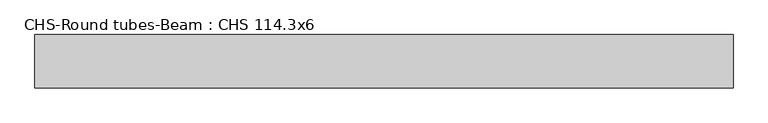
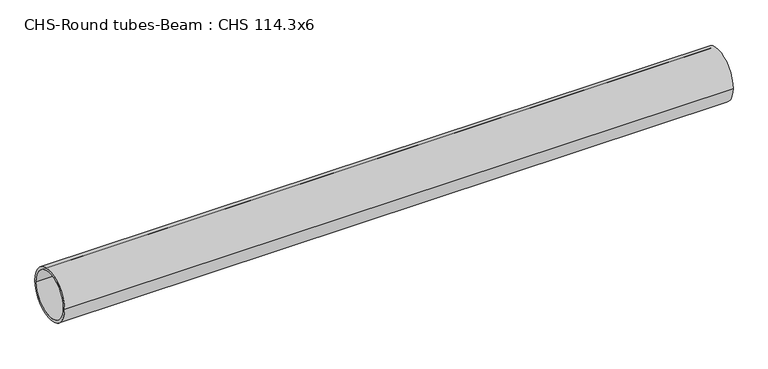
"""IFC4 building model written with IfcOpenShell, lengths in millimetres: beam geometry, CHS-Round tubes-Beam : CHS 114.3x6."""

from ifc_helpers import new_model, si_unit, point, frame, origin, origin_2d, place, context, project, spatial, circle_curve, trimmed, segment, composite_curve, outline, extrude, source, transform, mapped, element, save


def chs_round_tubes_beam_chs_114_3x6_9b2aa313(model_context):
    return source(origin(), model_context, "Body", "SweptSolid", [
        extrude(outline(composite_curve([segment(trimmed(circle_curve(origin_2d(), 57.15), [point((57.15, 0.0))], [point((-57.15, 0.0))], False, "CARTESIAN"), True, "CONTINUOUS"), segment(trimmed(circle_curve(origin_2d(), 57.15), [point((-57.15, 0.0))], [point((57.15, 0.0))], False, "CARTESIAN"), True, "CONTINUOUS")], self_intersect=False), holes=[composite_curve([segment(trimmed(circle_curve(origin_2d(), 51.15), [point((51.15, 0.0))], [point((-51.15, 0.0))], True, "CARTESIAN"), True, "CONTINUOUS"), segment(trimmed(circle_curve(origin_2d(), 51.15), [point((-51.15, 0.0))], [point((51.15, 0.0))], True, "CARTESIAN"), True, "CONTINUOUS")], self_intersect=False)]), frame((-759.9785792, 0.0, 0.0), z_axis=(1.0, 0.0, 0.0), x_axis=(0.0, 1.0, 0.0)), (0.0, 0.0, 1.0), 1491.3178128),
    ])


if __name__ == "__main__":
    model = new_model("IFC4")
    model_context = context("Model", 3, world=origin())
    ifc_project = project(units=[si_unit("LENGTHUNIT", "METRE", prefix="MILLI")], contexts=[model_context])
    site = spatial("IfcSite", under=ifc_project)
    building = spatial("IfcBuilding", under=site)
    placement = place(None, origin())
    chs_round_tubes_beam_chs_114_3x6_shape = chs_round_tubes_beam_chs_114_3x6_9b2aa313(model_context)
    element("IfcBeam", 1, ObjectType="CHS-Round tubes-Beam : CHS 114.3x6", at=placement, inside=building, context=model_context, shape_type="MappedRepresentation", body=[
        mapped(chs_round_tubes_beam_chs_114_3x6_shape, transform((0.0, 0.0, 0.0), x_axis=(1.0, 0.0, 0.0), y_axis=(0.0, 1.0, 0.0), z_axis=(0.0, 0.0, 1.0))),
    ])
    save(model, "model.ifc")
